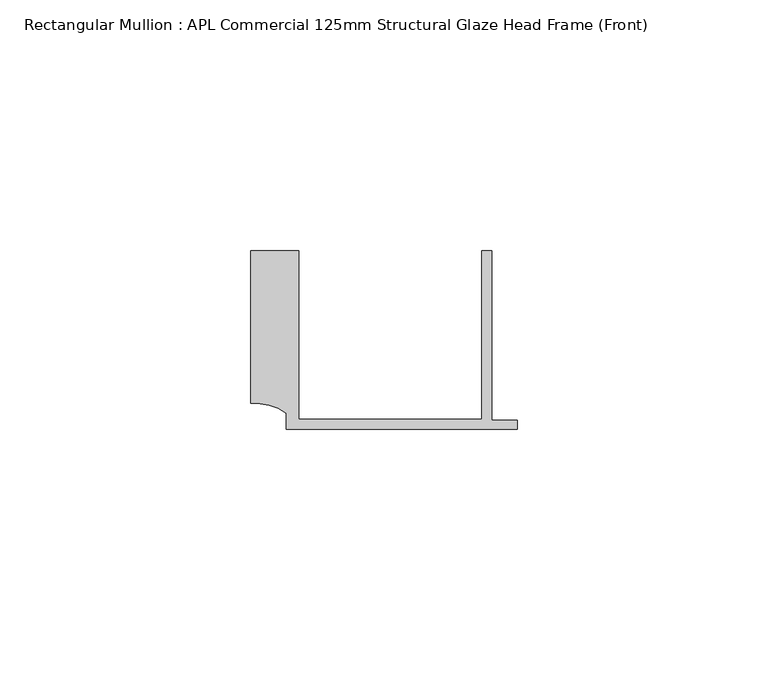
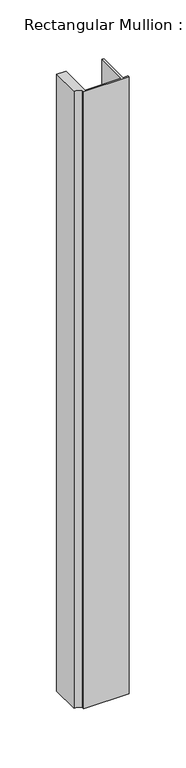
"""IFC4 building model written with IfcOpenShell, lengths in millimetres: member geometry, Rectangular Mullion : APL Commercial 125mm Structural Glaze Head Frame (Front)."""

from ifc_helpers import new_model, si_unit, point, frame, frame_2d, origin, place, context, project, spatial, polyline, circle_curve, trimmed, segment, composite_curve, outline, extrude, source, transform, mapped, element, save


def rectangular_mullion_apl_commercial_125mm_structural_glaze_3bc25c35(model_context):
    return source(origin(), model_context, "Body", "SweptSolid", [
        extrude(outline(composite_curve([segment(polyline([(-52.9999542, 15.0), (-43.5000151, 15.0), (-43.5000151, -18.5002486), (-7.0, -18.5002486), (-7.0, 15.0), (-5.0, 15.0), (-5.0, -18.7002486), (0.0, -18.7002486), (0.0, -20.5002486), (-45.9999994, -20.5002486), (-45.9999994, -17.3126154)]), True, "CONTINUOUS"), segment(trimmed(circle_curve(frame_2d((-52.109817, -25.7982641)), 10.4563907), [point((-45.9999994, -17.3126154))], [point((-52.9999542, -15.3798304))], True, "CARTESIAN"), True, "CONTINUOUS"), segment(polyline([(-52.9999542, -15.3798304), (-52.9999542, 15.0)]), True, "CONTINUOUS")], self_intersect=False)), frame((0.0, 0.0, -662.0000913), z_axis=(0.0, 0.0, 1.0), x_axis=(1.0, 0.0, 0.0)), (0.0, 0.0, 1.0), 662.0000913),
    ])


if __name__ == "__main__":
    model = new_model("IFC4")
    model_context = context("Model", 3, world=origin())
    ifc_project = project(units=[si_unit("LENGTHUNIT", "METRE", prefix="MILLI")], contexts=[model_context])
    site = spatial("IfcSite", under=ifc_project)
    building = spatial("IfcBuilding", under=site)
    placement = place(None, origin())
    rectangular_mullion_apl_commercial_125mm_structural_glaze_shape = rectangular_mullion_apl_commercial_125mm_structural_glaze_3bc25c35(model_context)
    element("IfcMember", 1, ObjectType="Rectangular Mullion : APL Commercial 125mm Structural Glaze Head Frame (Front)", at=placement, inside=building, context=model_context, shape_type="MappedRepresentation", body=[
        mapped(rectangular_mullion_apl_commercial_125mm_structural_glaze_shape, transform((0.0, 0.0, 0.0), x_axis=(1.0, 0.0, 0.0), y_axis=(0.0, 1.0, 0.0), z_axis=(0.0, 0.0, 1.0))),
    ])
    save(model, "model.ifc")
